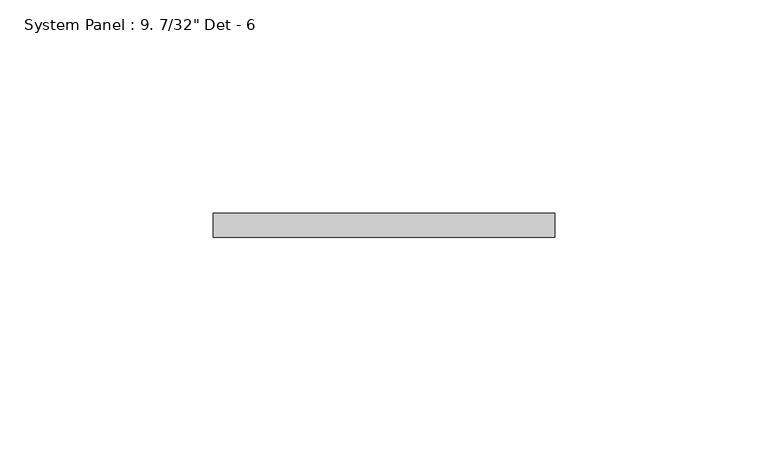
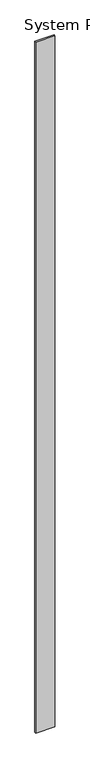
"""IFC4 building model written with IfcOpenShell, lengths in millimetres: plate geometry."""

from ifc_helpers import new_model, si_unit, origin, origin_with_axes, place, context, project, spatial, polyline, outline, extrude, source, transform, mapped, element, save


def plate_cc6e166c(model_context):
    return source(origin(), model_context, "Body", "SweptSolid", [
        extrude(outline(polyline([(39.974536, 0.0), (-39.974536, 0.0), (-39.974536, 5.55625), (39.974536, 5.55625), (39.974536, 0.0)])), origin_with_axes(), (0.0, 0.0, 1.0), 3048.0),
    ])


if __name__ == "__main__":
    model = new_model("IFC4")
    model_context = context("Model", 3, world=origin())
    ifc_project = project(units=[si_unit("LENGTHUNIT", "METRE", prefix="MILLI")], contexts=[model_context])
    site = spatial("IfcSite", under=ifc_project)
    building = spatial("IfcBuilding", under=site)
    placement = place(None, origin())
    plate_shape = plate_cc6e166c(model_context)
    element("IfcPlate", 1, ObjectType="System Panel : 9. 7/32\" Det - 6", at=placement, inside=building, context=model_context, shape_type="MappedRepresentation", body=[
        mapped(plate_shape, transform((0.0, 0.0, 0.0), x_axis=(1.0, 0.0, 0.0), y_axis=(0.0, 1.0, 0.0), z_axis=(0.0, 0.0, 1.0))),
    ])
    save(model, "model.ifc")
